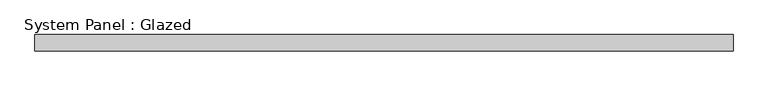
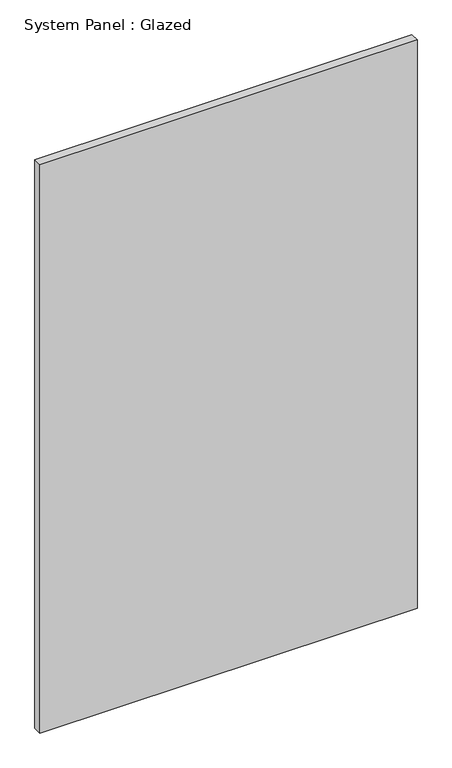
"""IFC4 building model written with IfcOpenShell, lengths in millimetres: plate geometry, System Panel : Glazed."""

from ifc_helpers import new_model, si_unit, origin, origin_with_axes, place, context, project, spatial, polyline, outline, extrude, source, transform, mapped, element, save


def system_panel_glazed_2b79bd36(model_context):
    return source(origin(), model_context, "Body", "SweptSolid", [
        extrude(outline(polyline([(544.0353371, 19.05), (-544.0353371, 19.05), (-544.0353371, 44.45), (544.0353371, 44.45), (544.0353371, 19.05)])), origin_with_axes(), (0.0, 0.0, 1.0), 1733.55),
    ])


if __name__ == "__main__":
    model = new_model("IFC4")
    model_context = context("Model", 3, world=origin())
    ifc_project = project(units=[si_unit("LENGTHUNIT", "METRE", prefix="MILLI")], contexts=[model_context])
    site = spatial("IfcSite", under=ifc_project)
    building = spatial("IfcBuilding", under=site)
    placement = place(None, origin())
    system_panel_glazed_shape = system_panel_glazed_2b79bd36(model_context)
    element("IfcPlate", 1, ObjectType="System Panel : Glazed", at=placement, inside=building, context=model_context, shape_type="MappedRepresentation", body=[
        mapped(system_panel_glazed_shape, transform((0.0, 0.0, 0.0), x_axis=(1.0, 0.0, 0.0), y_axis=(0.0, 1.0, 0.0), z_axis=(0.0, 0.0, 1.0))),
    ])
    save(model, "model.ifc")
